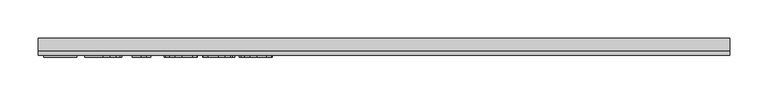
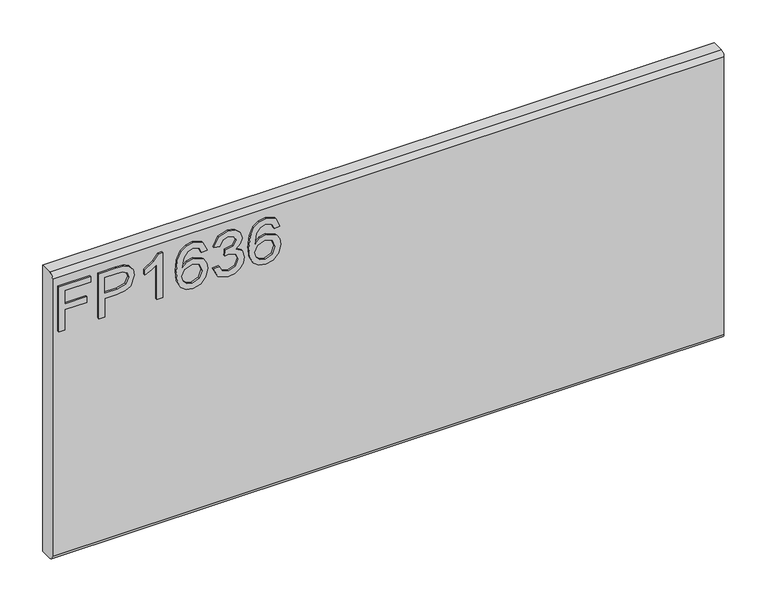
"""IFC4 building model written with IfcOpenShell, lengths in millimetres: furniture geometry."""

from ifc_helpers import new_model, si_unit, frame, origin, place, context, project, spatial, polyline, circle_curve, outline, extrude, source, transform, mapped, element, save
from ifc_brep_helpers import plane_surface, cylinder_surface, advanced_brep


def furniture_260d719f(model_context):
    return source(origin(), model_context, "Body", "SolidModel", [
        extrude(outline(polyline([(1085.85, -443.8729953), (1085.85, -435.8992757), (1114.7547336, -435.8992757), (1114.7547336, -405.9978271), (1122.7284532, -405.9978271), (1122.7284532, -435.8992757), (1141.6660373, -435.8992757), (1141.6660373, -401.0142524), (1149.6397569, -401.0142524), (1149.6397569, -443.8729953), (1085.85, -443.8729953)])), frame((0.0, -15.0812439, 0.0), z_axis=(0.0, 1.0, 0.0), x_axis=(0.0, 0.0, 1.0)), (0.0, 0.0, 1.0), 2.38125),
        extrude(outline(polyline([(1085.85, -390.0503879), (1085.85, -382.0766683), (1111.7645888, -382.0766683), (1111.7645888, -365.8644766), (1113.174006, -354.5365776), (1117.4022577, -347.3395948), (1131.1849567, -342.2080702), (1139.882852, -344.1080581), (1146.0500257, -349.130567), (1149.0323838, -356.8784684), (1149.6397569, -366.4095551), (1149.6397569, -390.0503879), (1085.85, -390.0503879)]), holes=[polyline([(1119.7383084, -382.0766683), (1141.6660373, -382.0766683), (1141.6660373, -365.5841506), (1141.1209588, -357.6104309), (1137.5078671, -352.2297276), (1130.9046306, -350.1817898), (1122.6661585, -353.6547185), (1119.7383084, -365.3972665), (1119.7383084, -382.0766683)])]), frame((0.0, -15.0812439, 0.0), z_axis=(0.0, 1.0, 0.0), x_axis=(0.0, 0.0, 1.0)), (0.0, 0.0, 1.0), 2.38125),
        extrude(outline(polyline([(1085.85, -304.332902), (1149.6397569, -304.332902), (1149.6397569, -309.4722135), (1141.1521062, -316.5660207), (1133.6923177, -328.2540609), (1126.1546609, -328.2540609), (1130.1804549, -319.8598521), (1135.5611582, -312.3066216), (1085.85, -312.3066216), (1085.85, -304.332902)])), frame((0.0, -15.0812439, 0.0), z_axis=(0.0, 1.0, 0.0), x_axis=(0.0, 0.0, 1.0)), (0.0, 0.0, 1.0), 2.38125),
        extrude(outline(polyline([(1132.6956028, -244.5300049), (1145.138966, -250.4168526), (1149.6397569, -263.0159525), (1147.8215308, -272.2706066), (1142.3668525, -279.4150282), (1131.5081103, -284.6477817), (1115.6268592, -286.3920329), (1101.5015395, -284.8210388), (1092.0171738, -280.1080566), (1086.6442572, -272.903287), (1084.853285, -263.8569308), (1087.555317, -253.4069974), (1095.3421526, -246.1652403), (1106.3449512, -243.5332899), (1114.5172351, -244.9310269), (1121.0309231, -249.1242379), (1126.715313, -262.6733317), (1124.6362279, -271.3868007), (1118.2743833, -278.4183133), (1132.4853582, -276.1523441), (1139.7349021, -270.709346), (1141.6660373, -263.51431), (1138.3488454, -255.5250167), (1131.6988878, -252.5037245), (1132.6956028, -244.5300049)]), holes=[polyline([(1106.4695406, -278.4183133), (1115.35432, -274.454814), (1118.7415934, -264.8069247), (1115.35432, -255.0344461), (1106.0801988, -251.5070095), (1096.3933754, -255.0811671), (1092.8270047, -264.4798776), (1094.5478953, -271.6671268), (1099.5626174, -276.5728332), (1106.4695406, -278.4183133)])]), frame((0.0, -15.0812439, 0.0), z_axis=(0.0, 1.0, 0.0), x_axis=(0.0, 0.0, 1.0)), (0.0, 0.0, 1.0), 2.38125),
        extrude(outline(polyline([(1102.7941542, -236.5562853), (1089.8524335, -230.2178011), (1084.853285, -216.2326444), (1086.3172101, -207.7099529), (1090.7089854, -200.7991364), (1097.2032063, -196.220477), (1104.9744681, -194.6942573), (1115.3465331, -197.7466968), (1120.797318, -206.4368053), (1126.0767925, -199.8958634), (1133.4275653, -197.6844021), (1141.4713664, -200.012666), (1147.4516562, -206.7404919), (1149.6397569, -216.3572338), (1145.2012607, -229.0342021), (1132.6956028, -235.5595703), (1131.6988878, -227.5858507), (1139.1742499, -223.6768592), (1141.6660373, -216.0769077), (1139.1976105, -208.5703982), (1132.9603552, -205.6581217), (1125.9210558, -209.6761289), (1123.7251682, -220.0014729), (1115.7514486, -220.8891721), (1116.6235742, -215.2982242), (1113.36089, -206.2343476), (1105.1146312, -202.6679769), (1096.362228, -206.2654949), (1092.8270047, -215.9523184), (1095.3966604, -224.1830036), (1103.7908691, -228.5825656), (1102.7941542, -236.5562853)])), frame((0.0, -15.0812439, 0.0), z_axis=(0.0, 1.0, 0.0), x_axis=(0.0, 0.0, 1.0)), (0.0, 0.0, 1.0), 2.38125),
        extrude(outline(polyline([(1132.6956028, -146.8519396), (1145.138966, -152.7387872), (1149.6397569, -165.3378872), (1147.8215308, -174.5925413), (1142.3668525, -181.7369629), (1131.5081103, -186.9697164), (1115.6268592, -188.7139676), (1101.5015395, -187.1429735), (1092.0171738, -182.4299913), (1086.6442572, -175.2252216), (1084.853285, -166.1788654), (1087.555317, -155.7289321), (1095.3421526, -148.487175), (1106.3449512, -145.8552246), (1114.5172351, -147.2529616), (1121.0309231, -151.4461725), (1126.715313, -164.9952664), (1124.6362279, -173.7087354), (1118.2743833, -180.7402479), (1132.4853582, -178.4742788), (1139.7349021, -173.0312807), (1141.6660373, -165.8362447), (1138.3488454, -157.8469514), (1131.6988878, -154.8256592), (1132.6956028, -146.8519396)]), holes=[polyline([(1106.4695406, -180.7402479), (1115.35432, -176.7767486), (1118.7415934, -167.1288594), (1115.35432, -157.3563807), (1106.0801988, -153.8289442), (1096.3933754, -157.4031017), (1092.8270047, -166.8018123), (1094.5478953, -173.9890615), (1099.5626174, -178.8947679), (1106.4695406, -180.7402479)])]), frame((0.0, -15.0812439, 0.0), z_axis=(0.0, 1.0, 0.0), x_axis=(0.0, 0.0, 1.0)), (0.0, 0.0, 1.0), 2.38125),
        advanced_brep(
        [(450.85, 9.5250061, 1168.4), (450.85, -6.7309939, 1168.4), (450.85, -12.6999939, 1162.431), (450.85, -12.6999939, 767.969), (450.85, -6.7309939, 762.0), (450.85, 9.5250061, 762.0), (-450.85, 9.5250061, 1168.4), (-450.85, 9.5250061, 762.0), (-450.85, -6.7309939, 762.0), (-450.85, -12.6999939, 767.969), (-450.85, -12.6999939, 1162.4310121), (-450.85, -6.7309939, 1168.4)],
        [
            (0, 1),
            (1, 2, circle_curve(frame((450.85, -6.7309939, 1162.431), z_axis=(1.0, 0.0, 0.0), x_axis=(0.0, 1.0, 0.0)), 5.969)),
            (2, 3),
            (3, 4, circle_curve(frame((450.85, -6.7309939, 767.969), z_axis=(1.0, 0.0, 0.0), x_axis=(0.0, 1.0, 0.0)), 5.969)),
            (4, 5),
            (5, 0),
            (6, 7),
            (7, 8),
            (8, 9, circle_curve(frame((-450.85, -6.7309939, 767.969), z_axis=(-1.0, 0.0, 0.0), x_axis=(0.0, 1.0, 0.0)), 5.969)),
            (9, 10),
            (10, 11, circle_curve(frame((-450.85, -6.7309939, 1162.431), z_axis=(-1.0, 0.0, 0.0), x_axis=(0.0, 1.0, 0.0)), 5.969)),
            (11, 6),
            (0, 6),
            (11, 1),
            (10, 2),
            (9, 3),
            (8, 4),
            (7, 5),
        ],
        [
            plane_surface(frame((450.85, -6.7309939, 1168.4), z_axis=(1.0, 0.0, 0.0), x_axis=(0.0, -1.0, 0.0))),
            plane_surface(frame((-450.85, -6.7309939, 1168.4), z_axis=(-1.0, 0.0, 0.0), x_axis=(0.0, 1.0, 0.0))),
            plane_surface(frame((450.85, 9.5250061, 1168.4), z_axis=(0.0, 0.0, 1.0), x_axis=(-1.0, 0.0, 0.0))),
            cylinder_surface(frame((-450.85, -6.7309939, 1162.431), z_axis=(1.0, 0.0, 0.0), x_axis=(0.0, 1.0, 0.0)), 5.969),
            plane_surface(frame((450.85, -12.6999939, 1162.4310121), z_axis=(0.0, -1.0, 0.0), x_axis=(-1.0, 0.0, 0.0))),
            cylinder_surface(frame((-450.85, -6.7309939, 767.969), z_axis=(1.0, 0.0, 0.0), x_axis=(0.0, 1.0, 0.0)), 5.969),
            plane_surface(frame((450.85, -6.7309939, 762.0), z_axis=(0.0, 0.0, -1.0), x_axis=(-1.0, 0.0, 0.0))),
            plane_surface(frame((450.85, 9.5250061, 762.0), z_axis=(0.0, 1.0, 0.0), x_axis=(-1.0, 0.0, 0.0))),
        ],
        [
            (0, [[1, 2, 3, 4, 5, 6]]),
            (1, [[7, 8, 9, 10, 11, 12]]),
            (2, [[-1, 13, -12, 14]]),
            (3, [[-2, -14, -11, 15]]),
            (4, [[-3, -15, -10, 16]]),
            (5, [[-4, -16, -9, 17]]),
            (6, [[-5, -17, -8, 18]]),
            (7, [[-6, -18, -7, -13]]),
        ],
    ),
    ])


if __name__ == "__main__":
    model = new_model("IFC4")
    model_context = context("Model", 3, world=origin())
    ifc_project = project(units=[si_unit("LENGTHUNIT", "METRE", prefix="MILLI")], contexts=[model_context])
    site = spatial("IfcSite", under=ifc_project)
    building = spatial("IfcBuilding", under=site)
    placement = place(None, origin())
    furniture_shape = furniture_260d719f(model_context)
    element("IfcFurniture", 1, at=placement, inside=building, context=model_context, shape_type="MappedRepresentation", body=[
        mapped(furniture_shape, transform((0.0, 0.0, 0.0), x_axis=(1.0, 0.0, 0.0), y_axis=(0.0, 1.0, 0.0), z_axis=(0.0, 0.0, 1.0))),
    ])
    save(model, "model.ifc")
